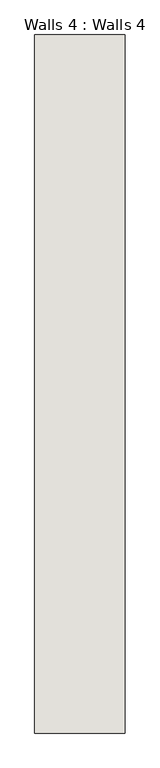
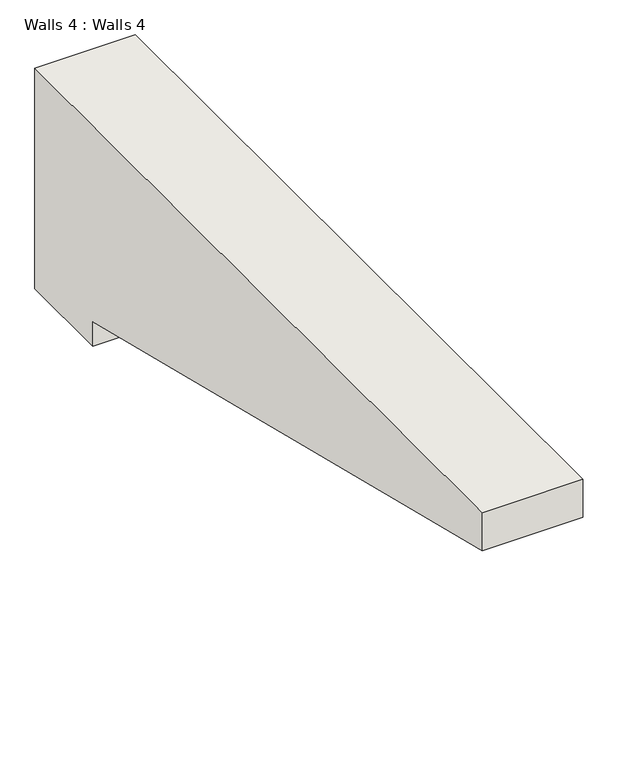
"""IFC4 building model written with IfcOpenShell, lengths in millimetres: wall geometry, Walls 4 : Walls 4."""

from ifc_helpers import new_model, si_unit, frame, origin, place, context, project, spatial, polyline, outline, extrude, source, transform, mapped, element, save


def walls_4_walls_4_659cca68(model_context):
    return source(origin(), model_context, "Body", "SweptSolid", [
        extrude(outline(polyline([(6026.9640252, 3882.8485138), (6026.9640252, 3352.8), (5798.3640252, 3352.8), (5798.3640252, 3411.6767873), (4263.9801697, 3791.7054384), (4263.9801697, 3882.8485138), (6026.9640252, 3882.8485138)])), frame((-814.8415084, 0.0, 0.0), z_axis=(1.0, 0.0, 0.0), x_axis=(0.0, 1.0, 0.0)), (0.0, 0.0, 1.0), 228.6),
    ])


if __name__ == "__main__":
    model = new_model("IFC4")
    model_context = context("Model", 3, world=origin())
    ifc_project = project(units=[si_unit("LENGTHUNIT", "METRE", prefix="MILLI")], contexts=[model_context])
    site = spatial("IfcSite", under=ifc_project)
    building = spatial("IfcBuilding", under=site)
    placement = place(None, origin())
    walls_4_walls_4_shape = walls_4_walls_4_659cca68(model_context)
    element("IfcWall", 1, ObjectType="Walls 4 : Walls 4", at=placement, inside=building, context=model_context, shape_type="MappedRepresentation", body=[
        mapped(walls_4_walls_4_shape, transform((0.0, 0.0, 0.0), x_axis=(1.0, 0.0, 0.0), y_axis=(0.0, 1.0, 0.0), z_axis=(0.0, 0.0, 1.0))),
    ])
    save(model, "model.ifc")
